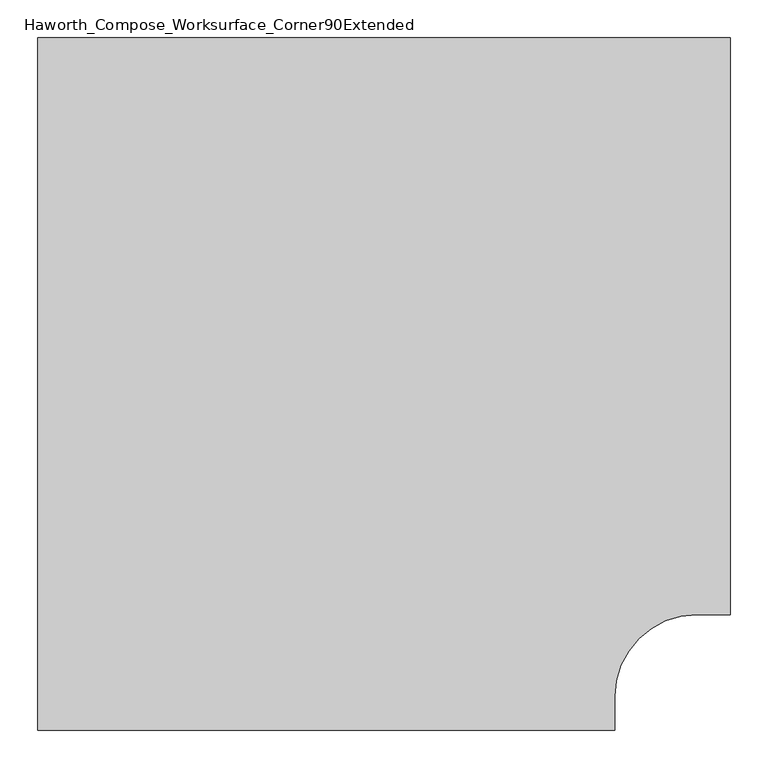
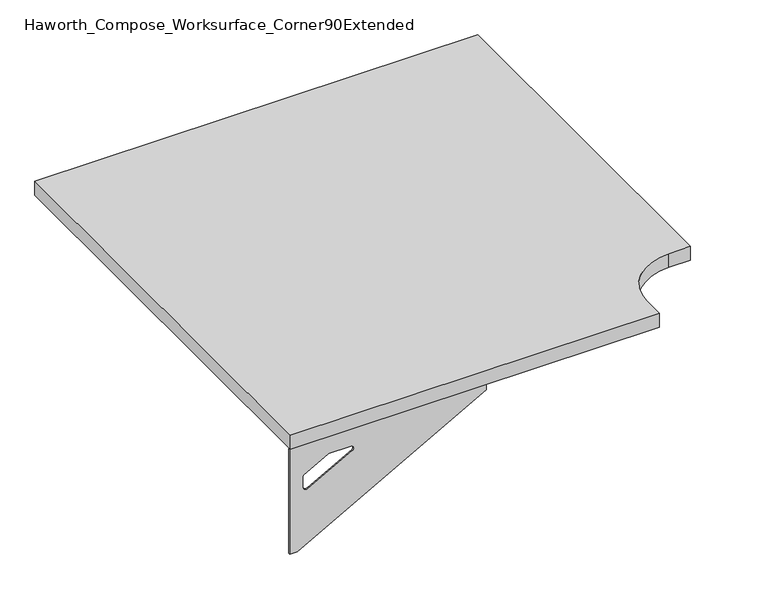
"""IFC4 building model written with IfcOpenShell, lengths in millimetres: furniture geometry, Haworth_Compose_Worksurface_Corner90Extended."""

from ifc_helpers import new_model, si_unit, point, frame, frame_2d, origin, place, context, project, spatial, polyline, circle_curve, trimmed, segment, composite_curve, outline, extrude, source, transform, mapped, element, save
from ifc_brep_helpers import plane_surface, revolved_surface, advanced_brep


def haworth_compose_worksurface_corner90extended_9373227e(model_context):
    return source(origin(), model_context, "Body", "SolidModel", [
        advanced_brep(
        [(604.04375, 228.6, 475.45625), (604.04375, 212.725, 475.45625), (604.04375, -177.8, 691.7192568), (604.04375, -177.8, 704.05625), (604.04375, 212.725, 704.05625), (604.04375, 228.6, 704.05625), (604.04375, 145.290072, 665.95625), (604.04375, 101.6355284, 665.95625), (604.04375, 98.9564235, 656.3705539), (604.04375, 190.6776173, 605.5776439), (604.04375, 200.025, 611.1756969), (604.04375, 200.025, 634.6860246), (604.04375, 198.2730055, 637.5242776), (604.04375, 148.3663437, 665.1613425), (606.425, 228.6, 475.45625), (606.425, 228.6, 704.05625), (606.425, 212.725, 704.05625), (606.425, 212.725, 706.4375), (606.425, -177.8, 706.4375), (606.425, -177.8, 691.7192568), (606.425, 212.725, 475.45625), (606.425, 145.290072, 665.95625), (606.425, 148.3663437, 665.1613425), (606.425, 198.2730055, 637.5242776), (606.425, 200.025, 634.6860246), (606.425, 200.025, 611.1756969), (606.425, 190.6776173, 605.5776439), (606.425, 98.9564235, 656.3705539), (606.425, 101.6355284, 665.95625), (565.15, -177.8, 706.4375), (565.15, -177.8, 704.05625), (565.15, 212.725, 704.05625), (565.15, 212.725, 706.4375)],
        [
            (0, 1),
            (1, 2),
            (2, 3),
            (3, 4),
            (4, 5),
            (5, 0),
            (6, 7),
            (7, 8, circle_curve(frame((604.04375, 101.6355284, 660.7890106), z_axis=(1.0, 0.0, 0.0), x_axis=(0.0, -1.0, 0.0)), 5.1672394)),
            (8, 9),
            (9, 10, circle_curve(frame((604.04375, 193.675, 611.1756969), z_axis=(1.0, 0.0, 0.0), x_axis=(0.0, -1.0, 0.0)), 6.35)),
            (10, 11),
            (11, 12, circle_curve(frame((604.04375, 196.85, 634.6860246), z_axis=(1.0, 0.0, 0.0), x_axis=(0.0, -1.0, 0.0)), 3.175)),
            (12, 13),
            (13, 6, circle_curve(frame((604.04375, 145.290072, 659.60625), z_axis=(1.0, 0.0, 0.0), x_axis=(0.0, -1.0, 0.0)), 6.35)),
            (14, 15),
            (15, 16),
            (16, 17),
            (17, 18),
            (18, 19),
            (19, 20),
            (20, 14),
            (21, 22, circle_curve(frame((606.425, 145.290072, 659.60625), z_axis=(-1.0, 0.0, 0.0), x_axis=(0.0, -1.0, 0.0)), 6.35)),
            (22, 23),
            (23, 24, circle_curve(frame((606.425, 196.85, 634.6860246), z_axis=(-1.0, 0.0, 0.0), x_axis=(0.0, -1.0, 0.0)), 3.175)),
            (24, 25),
            (25, 26, circle_curve(frame((606.425, 193.675, 611.1756969), z_axis=(-1.0, 0.0, 0.0), x_axis=(0.0, -1.0, 0.0)), 6.35)),
            (26, 27),
            (27, 28, circle_curve(frame((606.425, 101.6355284, 660.7890106), z_axis=(-1.0, 0.0, 0.0), x_axis=(0.0, -1.0, 0.0)), 5.1672394)),
            (28, 21),
            (4, 16),
            (15, 5),
            (14, 0),
            (20, 1),
            (19, 2),
            (18, 29),
            (29, 30),
            (30, 3),
            (6, 21),
            (28, 7),
            (9, 26),
            (25, 10),
            (24, 11),
            (23, 12),
            (27, 8),
            (31, 4),
            (30, 31),
            (32, 29),
            (17, 32),
            (31, 32),
            (22, 13),
        ],
        [
            plane_surface(frame((604.04375, 228.6, 475.45625), z_axis=(-1.0, 0.0, 0.0), x_axis=(0.0, 1.0, 0.0))),
            plane_surface(frame((606.425, 228.6, 475.45625), z_axis=(1.0, 0.0, 0.0), x_axis=(0.0, -1.0, 0.0))),
            plane_surface(frame((606.425, -177.8, 704.05625), z_axis=(0.0, 0.0, 1.0), x_axis=(-1.0, 0.0, 0.0))),
            plane_surface(frame((606.425, 228.6, 704.05625), z_axis=(0.0, 1.0, 0.0), x_axis=(-1.0, 0.0, 0.0))),
            plane_surface(frame((606.425, 228.6, 475.45625), z_axis=(0.0, 0.0, -1.0), x_axis=(-1.0, 0.0, 0.0))),
            plane_surface(frame((606.425, 212.725, 475.45625), z_axis=(0.0, -0.4844522351345575, -0.8748177135112957), x_axis=(-1.0, 0.0, 0.0))),
            plane_surface(frame((606.425, -177.8, 691.7192568), z_axis=(0.0, -1.0, 0.0), x_axis=(-1.0, 0.0, 0.0))),
            plane_surface(frame((606.425, 145.290072, 665.95625), z_axis=(0.0, 0.0, -1.0), x_axis=(-1.0, 0.0, 0.0))),
            revolved_surface(polyline([(604.04375, 187.32500000000002, 611.1756969), (606.425, 187.32500000000002, 611.1756969)]), (606.425, 193.675, 611.1756969), (-1.0, 0.0, 0.0)),
            plane_surface(frame((606.425, 200.025, 611.1756969), z_axis=(0.0, -1.0, 0.0), x_axis=(-1.0, 0.0, 0.0))),
            revolved_surface(polyline([(604.04375, 193.67499999999998, 634.6860246), (606.425, 193.67499999999998, 634.6860246)]), (606.425, 196.85, 634.6860246), (-1.0, 0.0, 0.0)),
            revolved_surface(polyline([(604.04375, 96.468289, 660.7890106), (606.425, 96.468289, 660.7890106)]), (606.425, 101.6355284, 660.7890106), (-1.0, 0.0, 0.0)),
            plane_surface(frame((606.425, 212.725, 704.05625), z_axis=(0.0, 0.0, -1.0), x_axis=(-1.0, 0.0, 0.0))),
            plane_surface(frame((606.425, 212.725, 706.4375), z_axis=(0.0, 0.0, 1.0), x_axis=(1.0, 0.0, 0.0))),
            plane_surface(frame((565.15, 212.725, 706.4375), z_axis=(0.0, 1.0, 0.0), x_axis=(0.0, 0.0, -1.0))),
            plane_surface(frame((565.15, -177.8, 706.4375), z_axis=(-1.0, 0.0, 0.0), x_axis=(0.0, 0.0, -1.0))),
            plane_surface(frame((606.425, 98.9564235, 656.3705539), z_axis=(0.0, 0.4844522351341526, 0.8748177135115199), x_axis=(-1.0, 0.0, 0.0))),
            plane_surface(frame((606.425, 198.2730055, 637.5242776), z_axis=(0.0, -0.48445223513456226, -0.874817713511293), x_axis=(-1.0, 0.0, 0.0))),
            revolved_surface(polyline([(604.04375, 138.94007200000001, 659.60625), (606.425, 138.94007200000001, 659.60625)]), (606.425, 145.290072, 659.60625), (-1.0, 0.0, 0.0)),
        ],
        [
            (0, [[1, 2, 3, 4, 5, 6], [7, 8, 9, 10, 11, 12, 13, 14]]),
            (1, [[15, 16, 17, 18, 19, 20, 21], [22, 23, 24, 25, 26, 27, 28, 29]]),
            (2, [[-5, 30, -16, 31]]),
            (3, [[-31, -15, 32, -6]]),
            (4, [[-32, -21, 33, -1]]),
            (5, [[-33, -20, 34, -2]]),
            (6, [[-34, -19, 35, 36, 37, -3]]),
            (7, [[38, -29, 39, -7]]),
            (8, [[40, -26, 41, -10]]),
            (9, [[-41, -25, 42, -11]]),
            (10, [[-42, -24, 43, -12]]),
            (11, [[-39, -28, 44, -8]]),
            (12, [[45, -4, -37, 46]]),
            (13, [[47, -35, -18, 48]]),
            (14, [[-17, -30, -45, 49, -48]]),
            (15, [[-36, -47, -49, -46]]),
            (16, [[-44, -27, -40, -9]]),
            (17, [[-43, -23, 50, -13]]),
            (18, [[-50, -22, -38, -14]]),
        ],
    ),
        advanced_brep(
        [(-304.8, -680.24375, 475.45625), (-304.8, -680.24375, 704.05625), (-288.925, -680.24375, 704.05625), (101.6, -680.24375, 704.05625), (101.6, -680.24375, 691.7192568), (-288.925, -680.24375, 475.45625), (-221.490072, -680.24375, 665.95625), (-224.5663437, -680.24375, 665.1613425), (-274.4730055, -680.24375, 637.5242776), (-276.225, -680.24375, 634.6860246), (-276.225, -680.24375, 611.1756969), (-266.8776173, -680.24375, 605.5776439), (-175.1564235, -680.24375, 656.3705539), (-177.8355284, -680.24375, 665.95625), (-304.8, -682.625, 475.45625), (-288.925, -682.625, 475.45625), (101.6, -682.625, 691.7192568), (101.6, -682.625, 706.4375), (-288.925, -682.625, 706.4375), (-288.925, -682.625, 704.05625), (-304.8, -682.625, 704.05625), (-221.490072, -682.625, 665.95625), (-177.8355284, -682.625, 665.95625), (-175.1564235, -682.625, 656.3705539), (-266.8776173, -682.625, 605.5776439), (-276.225, -682.625, 611.1756969), (-276.225, -682.625, 634.6860246), (-274.4730055, -682.625, 637.5242776), (-224.5663437, -682.625, 665.1613425), (101.6, -641.35, 704.05625), (101.6, -641.35, 706.4375), (-288.925, -641.35, 704.05625), (-288.925, -641.35, 706.4375)],
        [
            (0, 1),
            (1, 2),
            (2, 3),
            (3, 4),
            (4, 5),
            (5, 0),
            (6, 7, circle_curve(frame((-221.490072, -680.24375, 659.60625), z_axis=(0.0, -1.0, 0.0), x_axis=(1.0, 0.0, 0.0)), 6.35)),
            (7, 8),
            (8, 9, circle_curve(frame((-273.05, -680.24375, 634.6860246), z_axis=(0.0, -1.0, 0.0), x_axis=(1.0, 0.0, 0.0)), 3.175)),
            (9, 10),
            (10, 11, circle_curve(frame((-269.875, -680.24375, 611.1756969), z_axis=(0.0, -1.0, 0.0), x_axis=(1.0, 0.0, 0.0)), 6.35)),
            (11, 12),
            (12, 13, circle_curve(frame((-177.8355284, -680.24375, 660.7890106), z_axis=(0.0, -1.0, 0.0), x_axis=(1.0, 0.0, 0.0)), 5.1672394)),
            (13, 6),
            (14, 15),
            (15, 16),
            (16, 17),
            (17, 18),
            (18, 19),
            (19, 20),
            (20, 14),
            (21, 22),
            (22, 23, circle_curve(frame((-177.8355284, -682.625, 660.7890106), z_axis=(0.0, 1.0, 0.0), x_axis=(1.0, 0.0, 0.0)), 5.1672394)),
            (23, 24),
            (24, 25, circle_curve(frame((-269.875, -682.625, 611.1756969), z_axis=(0.0, 1.0, 0.0), x_axis=(1.0, 0.0, 0.0)), 6.35)),
            (25, 26),
            (26, 27, circle_curve(frame((-273.05, -682.625, 634.6860246), z_axis=(0.0, 1.0, 0.0), x_axis=(1.0, 0.0, 0.0)), 3.175)),
            (27, 28),
            (28, 21, circle_curve(frame((-221.490072, -682.625, 659.60625), z_axis=(0.0, 1.0, 0.0), x_axis=(1.0, 0.0, 0.0)), 6.35)),
            (1, 20),
            (19, 2),
            (0, 14),
            (5, 15),
            (4, 16),
            (3, 29),
            (29, 30),
            (30, 17),
            (13, 22),
            (21, 6),
            (10, 25),
            (24, 11),
            (9, 26),
            (8, 27),
            (12, 23),
            (31, 29),
            (2, 31),
            (32, 18),
            (30, 32),
            (32, 31),
            (7, 28),
        ],
        [
            plane_surface(frame((-304.8, -680.24375, 475.45625), z_axis=(0.0, 1.0, 0.0), x_axis=(-1.0, 0.0, 0.0))),
            plane_surface(frame((-304.8, -682.625, 475.45625), z_axis=(0.0, -1.0, 0.0), x_axis=(1.0, 0.0, 0.0))),
            plane_surface(frame((101.6, -682.625, 704.05625), z_axis=(0.0, 0.0, 1.0), x_axis=(0.0, 1.0, 0.0))),
            plane_surface(frame((-304.8, -682.625, 704.05625), z_axis=(-1.0, 0.0, 0.0), x_axis=(0.0, 1.0, 0.0))),
            plane_surface(frame((-304.8, -682.625, 475.45625), z_axis=(0.0, 0.0, -1.0), x_axis=(0.0, 1.0, 0.0))),
            plane_surface(frame((-288.925, -682.625, 475.45625), z_axis=(0.4844522351345575, 0.0, -0.8748177135112957), x_axis=(0.0, 1.0, 0.0))),
            plane_surface(frame((101.6, -682.625, 691.7192568), z_axis=(1.0, 0.0, 0.0), x_axis=(0.0, 1.0, 0.0))),
            plane_surface(frame((-221.490072, -682.625, 665.95625), z_axis=(0.0, 0.0, -1.0), x_axis=(0.0, 1.0, 0.0))),
            revolved_surface(polyline([(-263.525, -680.24375, 611.1756969), (-263.525, -682.625, 611.1756969)]), (-269.875, -682.625, 611.1756969), (0.0, 1.0, 0.0)),
            plane_surface(frame((-276.225, -682.625, 611.1756969), z_axis=(1.0, 0.0, 0.0), x_axis=(0.0, 1.0, 0.0))),
            revolved_surface(polyline([(-269.875, -680.24375, 634.6860246), (-269.875, -682.625, 634.6860246)]), (-273.05, -682.625, 634.6860246), (0.0, 1.0, 0.0)),
            revolved_surface(polyline([(-172.668289, -680.24375, 660.7890106), (-172.668289, -682.625, 660.7890106)]), (-177.8355284, -682.625, 660.7890106), (0.0, 1.0, 0.0)),
            plane_surface(frame((-288.925, -682.625, 704.05625), z_axis=(0.0, 0.0, -1.0), x_axis=(0.0, 1.0, 0.0))),
            plane_surface(frame((-288.925, -682.625, 706.4375), z_axis=(0.0, 0.0, 1.0), x_axis=(0.0, -1.0, 0.0))),
            plane_surface(frame((-288.925, -641.35, 706.4375), z_axis=(-1.0, 0.0, 0.0), x_axis=(0.0, 0.0, -1.0))),
            plane_surface(frame((101.6, -641.35, 706.4375), z_axis=(0.0, 1.0, 0.0), x_axis=(0.0, 0.0, -1.0))),
            plane_surface(frame((-175.1564235, -682.625, 656.3705539), z_axis=(-0.4844522351341526, 0.0, 0.8748177135115199), x_axis=(0.0, 1.0, 0.0))),
            plane_surface(frame((-274.4730055, -682.625, 637.5242776), z_axis=(0.48445223513456226, 0.0, -0.874817713511293), x_axis=(0.0, 1.0, 0.0))),
            revolved_surface(polyline([(-215.140072, -680.24375, 659.60625), (-215.140072, -682.625, 659.60625)]), (-221.490072, -682.625, 659.60625), (0.0, 1.0, 0.0)),
        ],
        [
            (0, [[1, 2, 3, 4, 5, 6], [7, 8, 9, 10, 11, 12, 13, 14]]),
            (1, [[15, 16, 17, 18, 19, 20, 21], [22, 23, 24, 25, 26, 27, 28, 29]]),
            (2, [[30, -20, 31, -2]]),
            (3, [[-1, 32, -21, -30]]),
            (4, [[-6, 33, -15, -32]]),
            (5, [[-5, 34, -16, -33]]),
            (6, [[-4, 35, 36, 37, -17, -34]]),
            (7, [[-14, 38, -22, 39]]),
            (8, [[-11, 40, -25, 41]]),
            (9, [[-10, 42, -26, -40]]),
            (10, [[-9, 43, -27, -42]]),
            (11, [[-13, 44, -23, -38]]),
            (12, [[45, -35, -3, 46]]),
            (13, [[47, -18, -37, 48]]),
            (14, [[-47, 49, -46, -31, -19]]),
            (15, [[-45, -49, -48, -36]]),
            (16, [[-12, -41, -24, -44]]),
            (17, [[-8, 50, -28, -43]]),
            (18, [[-7, -39, -29, -50]]),
        ],
    ),
        extrude(outline(composite_curve([segment(polyline([(-304.8, 228.6), (609.6, 228.6), (609.6, -533.4), (565.15, -533.4)]), True, "CONTINUOUS"), segment(trimmed(circle_curve(frame_2d((565.15, -641.35)), 107.95), [point((565.15, -533.4))], [point((457.2, -641.35))], True, "CARTESIAN"), True, "CONTINUOUS"), segment(polyline([(457.2, -641.35), (457.2, -685.8), (-304.8, -685.8), (-304.8, 228.6)]), True, "CONTINUOUS")], self_intersect=False)), frame((0.0, 0.0, 706.4375), z_axis=(0.0, 0.0, 1.0), x_axis=(1.0, 0.0, 0.0)), (0.0, 0.0, 1.0), 30.1625),
    ])


if __name__ == "__main__":
    model = new_model("IFC4")
    model_context = context("Model", 3, world=origin())
    ifc_project = project(units=[si_unit("LENGTHUNIT", "METRE", prefix="MILLI")], contexts=[model_context])
    site = spatial("IfcSite", under=ifc_project)
    building = spatial("IfcBuilding", under=site)
    placement = place(None, origin())
    haworth_compose_worksurface_corner90extended_shape = haworth_compose_worksurface_corner90extended_9373227e(model_context)
    element("IfcFurniture", 1, ObjectType="Haworth_Compose_Worksurface_Corner90Extended", at=placement, inside=building, context=model_context, shape_type="MappedRepresentation", body=[
        mapped(haworth_compose_worksurface_corner90extended_shape, transform((0.0, 0.0, 0.0), x_axis=(1.0, 0.0, 0.0), y_axis=(0.0, 1.0, 0.0), z_axis=(0.0, 0.0, 1.0))),
    ])
    save(model, "model.ifc")
